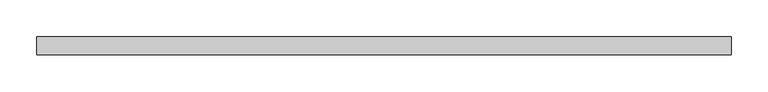
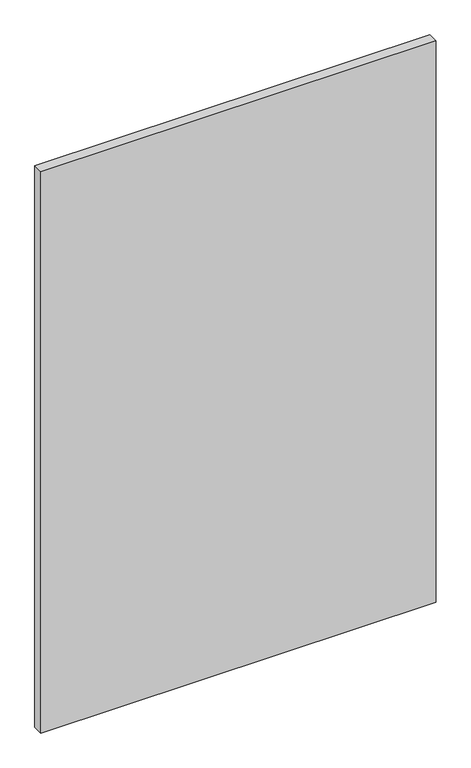
"""IFC4 building model written with IfcOpenShell, lengths in millimetres: plate geometry."""

from ifc_helpers import new_model, si_unit, origin, origin_with_axes, place, context, project, spatial, polyline, outline, extrude, source, transform, mapped, element, save


def plate_9bc12466(model_context):
    return source(origin(), model_context, "Body", "SweptSolid", [
        extrude(outline(polyline([(475.0, -12.5), (-475.0, -12.5), (-475.0, 12.5), (475.0, 12.5), (475.0, -12.5)])), origin_with_axes(), (0.0, 0.0, 1.0), 1425.0),
    ])


if __name__ == "__main__":
    model = new_model("IFC4")
    model_context = context("Model", 3, world=origin())
    ifc_project = project(units=[si_unit("LENGTHUNIT", "METRE", prefix="MILLI")], contexts=[model_context])
    site = spatial("IfcSite", under=ifc_project)
    building = spatial("IfcBuilding", under=site)
    placement = place(None, origin())
    plate_shape = plate_9bc12466(model_context)
    element("IfcPlate", 1, at=placement, inside=building, context=model_context, shape_type="MappedRepresentation", body=[
        mapped(plate_shape, transform((0.0, 0.0, 0.0), x_axis=(1.0, 0.0, 0.0), y_axis=(0.0, 1.0, 0.0), z_axis=(0.0, 0.0, 1.0))),
    ])
    save(model, "model.ifc")
